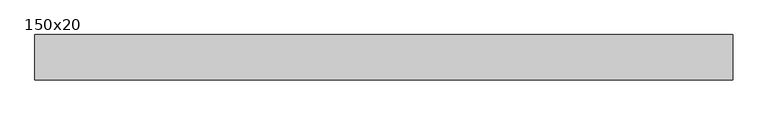
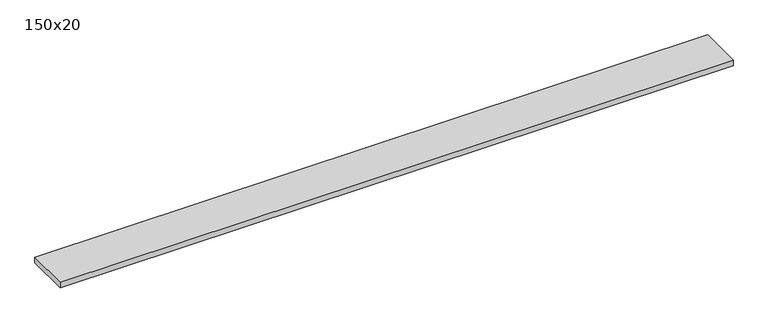
"""IFC4 building model written with IfcOpenShell, lengths in millimetres: beam geometry, 150x20."""

from ifc_helpers import new_model, si_unit, frame, origin, place, context, project, spatial, polyline, outline, extrude, source, transform, mapped, element, save


def beam_150x20_84c48807(model_context):
    return source(origin(), model_context, "Body", "SweptSolid", [
        extrude(outline(polyline([(1150.0, 75.0), (1150.0, -75.0), (-1150.0, -75.0), (-1150.0, 75.0), (1150.0, 75.0)])), frame((0.0, 0.0, -10.0), z_axis=(0.0, 0.0, 1.0), x_axis=(1.0, 0.0, 0.0)), (0.0, 0.0, 1.0), 20.0),
    ])


if __name__ == "__main__":
    model = new_model("IFC4")
    model_context = context("Model", 3, world=origin())
    ifc_project = project(units=[si_unit("LENGTHUNIT", "METRE", prefix="MILLI")], contexts=[model_context])
    site = spatial("IfcSite", under=ifc_project)
    building = spatial("IfcBuilding", under=site)
    placement = place(None, origin())
    beam_150x20_shape = beam_150x20_84c48807(model_context)
    element("IfcBeam", 1, ObjectType="150x20", at=placement, inside=building, context=model_context, shape_type="MappedRepresentation", body=[
        mapped(beam_150x20_shape, transform((0.0, 0.0, 0.0), x_axis=(1.0, 0.0, 0.0), y_axis=(0.0, 1.0, 0.0), z_axis=(0.0, 0.0, 1.0))),
    ])
    save(model, "model.ifc")
